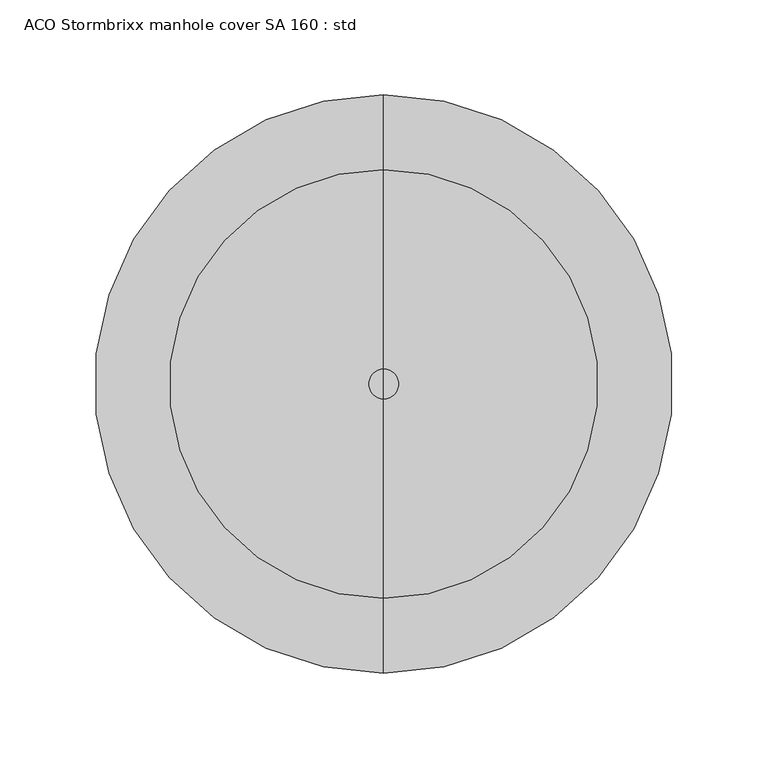
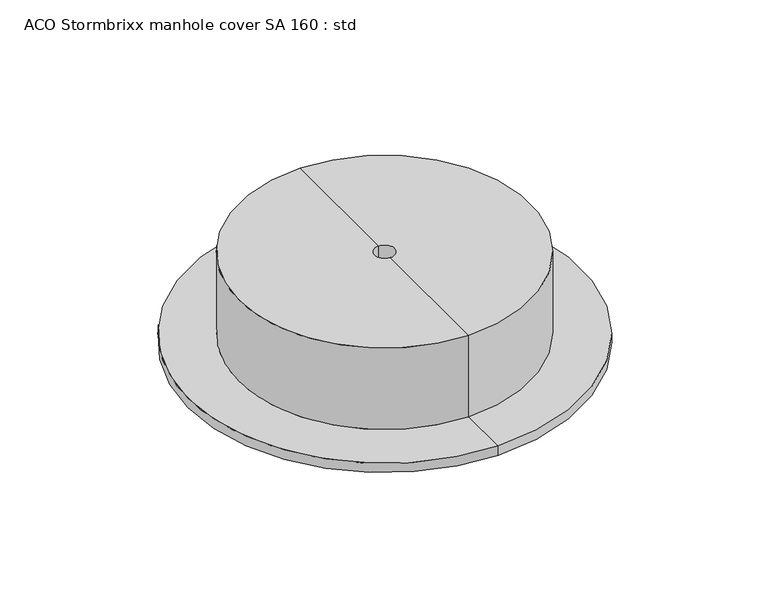
"""IFC4 building model written with IfcOpenShell, lengths in millimetres: unitary equipment geometry, ACO Stormbrixx manhole cover SA 160 : std."""

import ifcopenshell
import ifcopenshell.guid

model = None  # the IFC model being written
_history = None  # IfcOwnerHistory: only IFC2X3 demands one
_inside = {}  # id of a spatial element -> (the spatial element, [elements in it])
_under = {}  # id of a project, library or spatial element -> (it, [spatial elements below it])
_declared = {}  # id of a project -> (the project, [libraries it declares])
_typed = {}  # id of a type object -> (the type object, [elements of that type])
_made_of = {}  # id of a material, layer set ... -> (it, [elements and type objects made of it])


def new_model(schema):
    """Start an empty IFC model of exactly this schema.

    Asked for "IFC4X3", IfcOpenShell would pick the latest addendum, in which some entities
    have other attributes; the version numbers below select the first issue.
    IFC2X3 requires an IfcOwnerHistory on every rooted entity: one is made here for all.
    """
    global model, _history
    if schema == "IFC4X3":
        model = ifcopenshell.file(schema_version=(4, 3, 0, 0))
    else:
        model = ifcopenshell.file(schema=schema)
    _inside.clear()
    _under.clear()
    _declared.clear()
    _typed.clear()
    _made_of.clear()
    _history = None
    if model.schema == "IFC2X3":
        org = make("IfcOrganization", Name="unknown")
        user = make(
            "IfcPersonAndOrganization",
            ThePerson=make("IfcPerson", FamilyName="unknown"),
            TheOrganization=org,
        )
        app = make(
            "IfcApplication",
            ApplicationDeveloper=org,
            Version="unknown",
            ApplicationFullName="unknown",
            ApplicationIdentifier="unknown",
        )
        _history = make(
            "IfcOwnerHistory",
            OwningUser=user,
            OwningApplication=app,
            ChangeAction="ADDED",
            CreationDate=0,
        )
    return model


def make(cls, **values):
    """One entity of the class cls with the attributes given. An attribute that is None is left unset."""
    return model.create_entity(
        cls, **{name: value for name, value in values.items() if value is not None}
    )


def rooted(cls, **values):
    """An entity with a GlobalId (a new one), such as an element, a storey or a relation."""
    return make(cls, GlobalId=ifcopenshell.guid.new(), OwnerHistory=_history, **values)


def si_unit(unit_type, name, prefix=None):
    """IfcSIUnit, for example si_unit("LENGTHUNIT", "METRE", prefix="MILLI")."""
    return make("IfcSIUnit", UnitType=unit_type, Prefix=prefix, Name=name)


def assignment(units):
    """IfcUnitAssignment: the units of a project."""
    return None if units is None else make("IfcUnitAssignment", Units=units)


def point(xyz):
    """IfcCartesianPoint."""
    return None if xyz is None else make("IfcCartesianPoint", Coordinates=xyz)


def direction(xyz):
    """IfcDirection."""
    return None if xyz is None else make("IfcDirection", DirectionRatios=xyz)


def frame(location, z_axis=None, x_axis=None):
    """IfcAxis2Placement3D, a coordinate frame: its origin and axes. An axis left out is left unset."""
    return make(
        "IfcAxis2Placement3D",
        Location=point(location),
        Axis=direction(z_axis),
        RefDirection=direction(x_axis),
    )


def origin():
    """The frame at (0, 0, 0) with its axes left unset."""
    return frame((0.0, 0.0, 0.0))


def place(relative_to, where):
    """IfcLocalPlacement: puts the frame where relative to a parent placement (None: the world)."""
    return make(
        "IfcLocalPlacement", PlacementRelTo=relative_to, RelativePlacement=where
    )


def context(
    kind, dimensions, precision=None, world=None, true_north=None, identifier=None
):
    """IfcGeometricRepresentationContext, for example the 3D "Model" context."""
    return make(
        "IfcGeometricRepresentationContext",
        ContextIdentifier=identifier,
        ContextType=kind,
        CoordinateSpaceDimension=dimensions,
        Precision=precision,
        WorldCoordinateSystem=world,
        TrueNorth=true_north,
    )


def project(units=None, contexts=None):
    """IfcProject with its units and contexts."""
    return rooted(
        "IfcProject",
        Name="project",
        RepresentationContexts=contexts,
        UnitsInContext=assignment(units),
    )


def spatial(cls, under=None, at=None, **own):
    """A site, building, storey or space (cls), placed at a placement, below another one or the project."""
    s = rooted(cls, ObjectPlacement=at, **own)
    if under is not None:
        _under.setdefault(under.id(), (under, []))[1].append(s)
    return s


def polyline(points):
    """IfcPolyline through the points."""
    return make("IfcPolyline", Points=[point(p) for p in points])


def circle_curve(where, radius):
    """IfcCircle in the frame where."""
    return make("IfcCircle", Position=where, Radius=radius)


def shape(context_of_items, identifier, shape_type, items):
    """IfcShapeRepresentation: the items that make up one representation, for example the "Body"."""
    return make(
        "IfcShapeRepresentation",
        ContextOfItems=context_of_items,
        RepresentationIdentifier=identifier,
        RepresentationType=shape_type,
        Items=items,
    )


def source(mapping_origin, context_of_items, identifier, shape_type, items):
    """IfcRepresentationMap: a shape defined once, which mapped items show again and again."""
    return make(
        "IfcRepresentationMap",
        MappingOrigin=mapping_origin,
        MappedRepresentation=shape(context_of_items, identifier, shape_type, items),
    )


def transform(
    local_origin,
    x_axis=None,
    y_axis=None,
    z_axis=None,
    scale=None,
    scale2=None,
    scale3=None,
    uniform=True,
):
    """IfcCartesianTransformationOperator3D, or its non-uniform kind. x_axis, y_axis, z_axis: its Axis1, 2, 3."""
    if uniform:
        return make(
            "IfcCartesianTransformationOperator3D",
            Axis1=direction(x_axis),
            Axis2=direction(y_axis),
            LocalOrigin=point(local_origin),
            Scale=scale,
            Axis3=direction(z_axis),
        )
    return make(
        "IfcCartesianTransformationOperator3DnonUniform",
        Axis1=direction(x_axis),
        Axis2=direction(y_axis),
        LocalOrigin=point(local_origin),
        Scale=scale,
        Axis3=direction(z_axis),
        Scale2=scale2,
        Scale3=scale3,
    )


def mapped(mapping_source, mapping_target):
    """IfcMappedItem: shows the shape of a source again, moved by a transform."""
    return make(
        "IfcMappedItem", MappingSource=mapping_source, MappingTarget=mapping_target
    )


def made_of(thing, what):
    """Note that an element or type object is made of a material, layer set ...; save() writes the relation."""
    if what is not None:
        _made_of.setdefault(what.id(), (what, []))[1].append(thing)
    return thing


def element(
    cls,
    number,
    at=None,
    inside=None,
    cuts=None,
    type_object=None,
    material=None,
    context=None,
    identifier="Body",
    shape_type=None,
    held_by="IfcProductDefinitionShape",
    body=None,
    shapes=None,
    **own,
):
    """One element of the class cls, such as IfcWall. Its Tag is "e" and its number.

    at: its placement. inside: the storey or other place that contains it. cuts: it is an
    opening in that element (IfcRelVoidsElement). A single representation is given by context,
    identifier, shape_type and body (its items); several are given by shapes. held_by: the class
    of the entity that holds the representations. save() writes the other relations.
    """
    e = rooted(cls, Tag="e%d" % number, ObjectPlacement=at, **own)
    if body is not None:
        shapes = [shape(context, identifier, shape_type, body)]
    if shapes is not None:
        e.Representation = make(held_by, Representations=shapes)
    if inside is not None:
        _inside.setdefault(inside.id(), (inside, []))[1].append(e)
    if cuts is not None:
        rooted(
            "IfcRelVoidsElement", RelatingBuildingElement=cuts, RelatedOpeningElement=e
        )
    if type_object is not None:
        _typed.setdefault(type_object.id(), (type_object, []))[1].append(e)
    return made_of(e, material)


def aggregate(whole, parts):
    """IfcRelAggregates: a whole, such as a stair, and the parts it consists of."""
    return rooted("IfcRelAggregates", RelatingObject=whole, RelatedObjects=parts)


def save(model, path):
    """Write the relations noted so far, then the file.

    IfcRelAggregates (storeys below a building ...), IfcRelContainedInSpatialStructure (elements
    in a storey), IfcRelDefinesByType, IfcRelAssociatesMaterial and IfcRelDeclares: one each for
    every whole, place, type object, material and project.
    """
    for whole, parts in _under.values():
        aggregate(whole, parts)
    for where, things in _inside.values():
        rooted(
            "IfcRelContainedInSpatialStructure",
            RelatedElements=things,
            RelatingStructure=where,
        )
    for kind, things in _typed.values():
        rooted("IfcRelDefinesByType", RelatedObjects=things, RelatingType=kind)
    for what, things in _made_of.values():
        rooted("IfcRelAssociatesMaterial", RelatedObjects=things, RelatingMaterial=what)
    for by, libraries in _declared.values():
        rooted("IfcRelDeclares", RelatingContext=by, RelatedDefinitions=libraries)
    model.write(path)


def plane_surface(at):
    """IfcPlane: the flat surface through the origin of the frame at, square to its z axis."""
    return make("IfcPlane", Position=at)


def cylinder_surface(at, radius):
    """IfcCylindricalSurface: all points at the distance radius from the z axis of the frame at."""
    return make("IfcCylindricalSurface", Position=at, Radius=radius)


def revolved_surface(curve, axis_point, axis_direction):
    """IfcSurfaceOfRevolution: the curve turned about the line through axis_point along axis_direction."""
    return make(
        "IfcSurfaceOfRevolution",
        SweptCurve=make("IfcArbitraryOpenProfileDef", ProfileType="CURVE", Curve=curve),
        AxisPosition=make("IfcAxis1Placement", Location=point(axis_point), Axis=direction(axis_direction)),
    )


def advanced_brep(points, edges, surfaces, faces):
    """IfcAdvancedBrep: a solid bounded by faces that lie on surfaces and meet in shared edges.

    An edge is (start, end): straight between two places in points (the first is 0);
    or (start, end, curve); or (start, end, curve, False) where it runs against its curve.
    A face is (place in surfaces, loops), or (place, loops, False) where it looks against
    its surface's normal. A loop lists edges by number (the first is 1), with a minus sign
    where the edge is run from its end to its start. The first loop is the outer one.
    """
    corners = [point(p) for p in points]
    vertices = [make("IfcVertexPoint", VertexGeometry=c) for c in corners]
    made = []
    for start, end, *more in edges:
        made.append(
            make(
                "IfcEdgeCurve",
                EdgeStart=vertices[start],
                EdgeEnd=vertices[end],
                EdgeGeometry=more[0] if more else make("IfcPolyline", Points=[corners[start], corners[end]]),
                SameSense=more[1] if len(more) > 1 else True,
            )
        )
    hull = []
    for where, loops, *sense in faces:
        bounds = []
        for j, loop in enumerate(loops):
            ring = [make("IfcOrientedEdge", EdgeElement=made[abs(k) - 1], Orientation=k > 0) for k in loop]
            bounds.append(
                make(
                    "IfcFaceOuterBound" if j == 0 else "IfcFaceBound",
                    Bound=make("IfcEdgeLoop", EdgeList=ring),
                    Orientation=True,
                )
            )
        hull.append(make("IfcAdvancedFace", Bounds=bounds, FaceSurface=surfaces[where], SameSense=sense[0] if sense else True))
    return make("IfcAdvancedBrep", Outer=make("IfcClosedShell", CfsFaces=hull))


def aco_stormbrixx_manhole_cover_sa_160_std_d95bb4ac(model_context):
    return source(origin(), model_context, "Body", "AdvancedBrep", [
        advanced_brep(
        [(0.0, 80.0, 0.0), (0.0, -80.0, 0.0), (0.0, -80.0, 39.5213759), (0.0, 80.0, 39.5213759), (0.0, 152.375, 0.0), (0.0, -152.375, 0.0), (0.0, 152.375, 7.6463759), (0.0, -152.375, 7.6463759), (0.0, 113.0, 7.6463759), (0.0, -113.0, 7.6463759), (0.0, 113.0, 74.5213759), (0.0, -113.0, 74.5213759), (0.0, 8.0, 74.5213759), (0.0, -8.0, 74.5213759), (0.0, 0.0, 39.5213759), (0.0, 8.0, 62.6463759), (0.0, -8.0, 62.6463759), (0.0, 0.0, 62.6463759)],
        [
            (0, 1, circle_curve(frame((0.0, 0.0, 0.0), z_axis=(0.0, 0.0, -1.0), x_axis=(0.0, -1.0, 0.0)), 80.0)),
            (1, 2),
            (2, 3, circle_curve(frame((0.0, 0.0, 39.5213759), z_axis=(0.0, 0.0, 1.0), x_axis=(0.0, -1.0, 0.0)), 80.0)),
            (3, 0),
            (1, 0, circle_curve(frame((0.0, 0.0, 0.0), z_axis=(0.0, 0.0, -1.0), x_axis=(0.0, -1.0, 0.0)), 80.0)),
            (3, 2, circle_curve(frame((0.0, 0.0, 39.5213759), z_axis=(0.0, 0.0, 1.0), x_axis=(0.0, -1.0, 0.0)), 80.0)),
            (4, 5, circle_curve(frame((0.0, 0.0, 0.0), z_axis=(0.0, 0.0, -1.0), x_axis=(0.0, -1.0, 0.0)), 152.375)),
            (5, 1),
            (0, 4),
            (5, 4, circle_curve(frame((0.0, 0.0, 0.0), z_axis=(0.0, 0.0, -1.0), x_axis=(0.0, -1.0, 0.0)), 152.375)),
            (6, 7, circle_curve(frame((0.0, 0.0, 7.6463759), z_axis=(0.0, 0.0, -1.0), x_axis=(0.0, -1.0, 0.0)), 152.375)),
            (7, 5),
            (4, 6),
            (7, 6, circle_curve(frame((0.0, 0.0, 7.6463759), z_axis=(0.0, 0.0, -1.0), x_axis=(0.0, -1.0, 0.0)), 152.375)),
            (8, 9, circle_curve(frame((0.0, 0.0, 7.6463759), z_axis=(0.0, 0.0, -1.0), x_axis=(0.0, -1.0, 0.0)), 113.0)),
            (9, 7),
            (6, 8),
            (9, 8, circle_curve(frame((0.0, 0.0, 7.6463759), z_axis=(0.0, 0.0, -1.0), x_axis=(0.0, -1.0, 0.0)), 113.0)),
            (10, 11, circle_curve(frame((0.0, 0.0, 74.5213759), z_axis=(0.0, 0.0, -1.0), x_axis=(0.0, -1.0, 0.0)), 113.0)),
            (11, 9),
            (8, 10),
            (11, 10, circle_curve(frame((0.0, 0.0, 74.5213759), z_axis=(0.0, 0.0, -1.0), x_axis=(0.0, -1.0, 0.0)), 113.0)),
            (12, 13, circle_curve(frame((0.0, 0.0, 74.5213759), z_axis=(0.0, 0.0, -1.0), x_axis=(0.0, -1.0, 0.0)), 8.0)),
            (13, 11),
            (10, 12),
            (13, 12, circle_curve(frame((0.0, 0.0, 74.5213759), z_axis=(0.0, 0.0, -1.0), x_axis=(0.0, -1.0, 0.0)), 8.0)),
            (2, 14),
            (14, 3),
            (15, 16, circle_curve(frame((0.0, 0.0, 62.6463759), z_axis=(0.0, 0.0, -1.0), x_axis=(0.0, -1.0, 0.0)), 8.0)),
            (16, 13),
            (12, 15),
            (16, 15, circle_curve(frame((0.0, 0.0, 62.6463759), z_axis=(0.0, 0.0, -1.0), x_axis=(0.0, -1.0, 0.0)), 8.0)),
            (17, 16),
            (15, 17),
        ],
        [
            revolved_surface(polyline([(0.0, -80.0, 39.521375899999995), (0.0, -80.0, 0.0)]), (0.0, 0.0, 109.6463759), (0.0, 0.0, 1.0)),
            plane_surface(frame((0.0, 0.0, 0.0), z_axis=(0.0, 0.0, -1.0), x_axis=(0.0, -1.0, 0.0))),
            cylinder_surface(frame((0.0, 0.0, 109.6463759), z_axis=(0.0, 0.0, 1.0), x_axis=(0.0, -1.0, 0.0)), 152.375),
            plane_surface(frame((0.0, 0.0, 7.6463759), z_axis=(0.0, 0.0, 1.0), x_axis=(0.0, -1.0, 0.0))),
            cylinder_surface(frame((0.0, 0.0, 109.6463759), z_axis=(0.0, 0.0, 1.0), x_axis=(0.0, -1.0, 0.0)), 113.0),
            plane_surface(frame((0.0, 0.0, 74.5213759), z_axis=(0.0, 0.0, 1.0), x_axis=(0.0, -1.0, 0.0))),
            plane_surface(frame((0.0, 0.0, 39.5213759), z_axis=(0.0, 0.0, -1.0), x_axis=(0.0, -1.0, 0.0))),
            revolved_surface(polyline([(0.0, -8.0, 74.5213759), (0.0, -8.0, 62.6463759)]), (0.0, 0.0, 109.6463759), (0.0, 0.0, 1.0)),
            plane_surface(frame((0.0, 0.0, 62.6463759), z_axis=(0.0, 0.0, 1.0), x_axis=(0.0, -1.0, 0.0))),
        ],
        [
            (0, [[1, 2, 3, 4]]),
            (0, [[5, -4, 6, -2]]),
            (1, [[7, 8, -1, 9]]),
            (1, [[10, -9, -5, -8]]),
            (2, [[11, 12, -7, 13]]),
            (2, [[14, -13, -10, -12]]),
            (3, [[15, 16, -11, 17]]),
            (3, [[18, -17, -14, -16]]),
            (4, [[19, 20, -15, 21]]),
            (4, [[22, -21, -18, -20]]),
            (5, [[23, 24, -19, 25]]),
            (5, [[26, -25, -22, -24]]),
            (6, [[-3, 27, 28]]),
            (6, [[-6, -28, -27]]),
            (7, [[29, 30, -23, 31]]),
            (7, [[32, -31, -26, -30]]),
            (8, [[33, -29, 34]]),
            (8, [[-34, -32, -33]]),
        ],
    ),
    ])


if __name__ == "__main__":
    model = new_model("IFC4")
    model_context = context("Model", 3, world=origin())
    ifc_project = project(units=[si_unit("LENGTHUNIT", "METRE", prefix="MILLI")], contexts=[model_context])
    site = spatial("IfcSite", under=ifc_project)
    building = spatial("IfcBuilding", under=site)
    placement = place(None, origin())
    aco_stormbrixx_manhole_cover_sa_160_std_shape = aco_stormbrixx_manhole_cover_sa_160_std_d95bb4ac(model_context)
    element("IfcUnitaryEquipment", 1, ObjectType="ACO Stormbrixx manhole cover SA 160 : std", at=placement, inside=building, context=model_context, shape_type="MappedRepresentation", body=[
        mapped(aco_stormbrixx_manhole_cover_sa_160_std_shape, transform((0.0, 0.0, 0.0), x_axis=(1.0, 0.0, 0.0), y_axis=(0.0, 1.0, 0.0), z_axis=(0.0, 0.0, 1.0))),
    ])
    save(model, "model.ifc")
